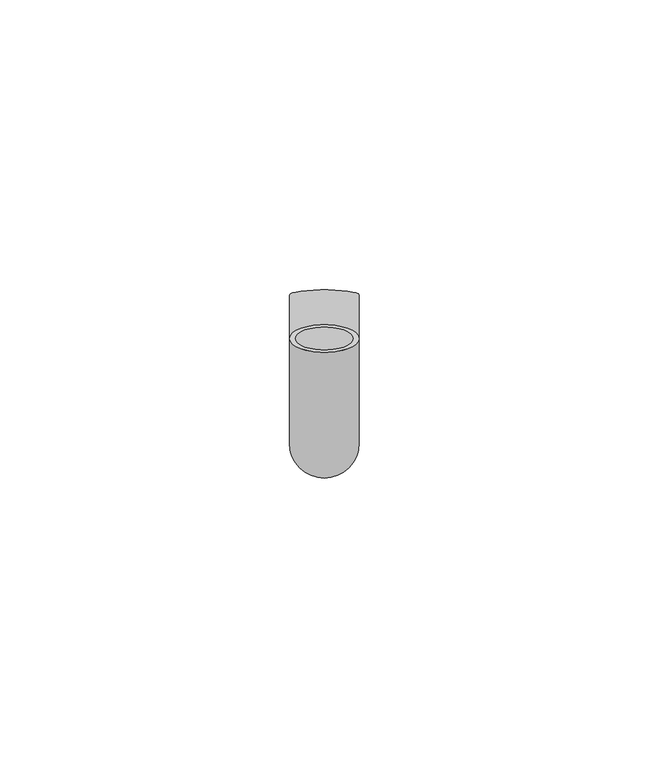
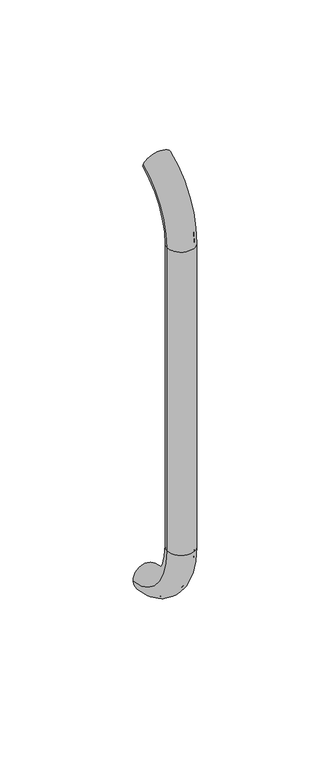
"""IFC4 building model written with IfcOpenShell, lengths in millimetres: beam geometry."""

from ifc_helpers import new_model, si_unit, point, frame, origin, place, context, project, spatial, polyline, circle_curve, ellipse_curve, trimmed, source, transform, mapped, element, save
from ifc_brep_helpers import plane_surface, cylinder_surface, revolved_surface, advanced_brep


def beam_fd29f5bb(model_context):
    return source(origin(), model_context, "Body", "AdvancedBrep", [
        advanced_brep(
        [(3161.4386176, 2444.0395554, 1993.7787656), (3173.4386176, 2444.0395554, 1993.7787656), (3162.4386176, 2444.0395554, 1993.7787656), (3172.4386176, 2444.0395554, 1993.7787656), (3172.4386176, 2425.9629385, 1966.25), (3162.4386176, 2425.9629385, 1966.25), (3173.4386176, 2425.9629385, 1966.25), (3161.4386176, 2425.9629385, 1966.25), (3162.4386176, 2425.9629385, 1826.25), (3172.4386176, 2425.9629385, 1826.25), (3161.4386176, 2425.9629385, 1826.25), (3173.4386176, 2425.9629385, 1826.25), (3161.4386176, 2451.5825147, 1796.5715249), (3173.4386176, 2451.5825147, 1796.5715249), (3162.4386176, 2451.5825147, 1796.5715249), (3172.4386176, 2451.5825147, 1796.5715249)],
        [
            (0, 1, circle_curve(frame((3167.4386176, 2444.0395554, 1993.7787656), z_axis=(0.0, 0.9176255197351176, 0.3974461039321624), x_axis=(1.0, 0.0, 0.0)), 6.0)),
            (1, 0, circle_curve(frame((3167.4386176, 2444.0395554, 1993.7787656), z_axis=(0.0, 0.9176255197351176, 0.3974461039321624), x_axis=(1.0, 0.0, 0.0)), 6.0)),
            (2, 3, circle_curve(frame((3167.4386176, 2444.0395554, 1993.7787656), z_axis=(0.0, -0.9176255197351176, -0.3974461039321624), x_axis=(1.0, 0.0, 0.0)), 5.0)),
            (3, 2, circle_curve(frame((3167.4386176, 2444.0395554, 1993.7787656), z_axis=(0.0, -0.9176255197351176, -0.3974461039321624), x_axis=(1.0, 0.0, 0.0)), 5.0)),
            (4, 3, circle_curve(frame((3172.4386176, 2455.9629385, 1966.25), z_axis=(-1.0, 0.0, 0.0), x_axis=(0.0, -0.3974461039321624, 0.9176255197351176)), 30.0)),
            (2, 5, circle_curve(frame((3162.4386176, 2455.9629385, 1966.25), z_axis=(1.0, 0.0, 0.0), x_axis=(0.0, -0.3974461039321624, 0.9176255197351176)), 30.0)),
            (5, 4, circle_curve(frame((3167.4386176, 2425.9629385, 1966.25), z_axis=(0.0, 0.0, -1.0), x_axis=(1.0, 0.0, 0.0)), 5.0)),
            (4, 5, circle_curve(frame((3167.4386176, 2425.9629385, 1966.25), z_axis=(0.0, 0.0, -1.0), x_axis=(1.0, 0.0, 0.0)), 5.0)),
            (6, 1, circle_curve(frame((3173.4386176, 2455.9629385, 1966.25), z_axis=(-1.0, 0.0, 0.0), x_axis=(0.0, -0.3974461039321624, 0.9176255197351176)), 30.0)),
            (0, 7, circle_curve(frame((3161.4386176, 2455.9629385, 1966.25), z_axis=(1.0, 0.0, 0.0), x_axis=(0.0, -0.3974461039321624, 0.9176255197351176)), 30.0)),
            (7, 6, circle_curve(frame((3167.4386176, 2425.9629385, 1966.25), z_axis=(0.0, 0.0, 1.0), x_axis=(1.0, 0.0, 0.0)), 6.0)),
            (6, 7, circle_curve(frame((3167.4386176, 2425.9629385, 1966.25), z_axis=(0.0, 0.0, 1.0), x_axis=(1.0, 0.0, 0.0)), 6.0)),
            (5, 8),
            (8, 9, circle_curve(frame((3167.4386176, 2425.9629385, 1826.25), z_axis=(0.0, 0.0, -1.0), x_axis=(1.0, 0.0, 0.0)), 5.0)),
            (9, 4),
            (9, 8, circle_curve(frame((3167.4386176, 2425.9629385, 1826.25), z_axis=(0.0, 0.0, -1.0), x_axis=(1.0, 0.0, 0.0)), 5.0)),
            (7, 10),
            (10, 11, circle_curve(frame((3167.4386176, 2425.9629385, 1826.25), z_axis=(0.0, 0.0, 1.0), x_axis=(1.0, 0.0, 0.0)), 6.0)),
            (11, 6),
            (11, 10, circle_curve(frame((3167.4386176, 2425.9629385, 1826.25), z_axis=(0.0, 0.0, 1.0), x_axis=(1.0, 0.0, 0.0)), 6.0)),
            (12, 13, circle_curve(frame((3167.4386176, 2451.5825147, 1796.5715249), z_axis=(0.0, 0.9892825047438852, -0.14601412879466394), x_axis=(1.0, 0.0, 0.0)), 6.0)),
            (13, 12, circle_curve(frame((3167.4386176, 2451.5825147, 1796.5715249), z_axis=(0.0, 0.9892825047438852, -0.14601412879466394), x_axis=(1.0, 0.0, 0.0)), 6.0)),
            (14, 15, circle_curve(frame((3167.4386176, 2451.5825147, 1796.5715249), z_axis=(0.0, -0.9892825047438852, 0.14601412879466394), x_axis=(1.0, 0.0, 0.0)), 5.0)),
            (15, 14, circle_curve(frame((3167.4386176, 2451.5825147, 1796.5715249), z_axis=(0.0, -0.9892825047438852, 0.14601412879466394), x_axis=(1.0, 0.0, 0.0)), 5.0)),
            (15, 9, circle_curve(frame((3172.4386176, 2455.9629385, 1826.25), z_axis=(-1.0, 0.0, 0.0), x_axis=(0.0, -1.0, 0.0)), 30.0)),
            (8, 14, circle_curve(frame((3162.4386176, 2455.9629385, 1826.25), z_axis=(1.0, 0.0, 0.0), x_axis=(0.0, -1.0, 0.0)), 30.0)),
            (13, 11, circle_curve(frame((3173.4386176, 2455.9629385, 1826.25), z_axis=(-1.0, 0.0, 0.0), x_axis=(0.0, -1.0, 0.0)), 30.0)),
            (10, 12, circle_curve(frame((3161.4386176, 2455.9629385, 1826.25), z_axis=(1.0, 0.0, 0.0), x_axis=(0.0, -1.0, 0.0)), 30.0)),
        ],
        [
            plane_surface(frame((3167.4386176, 2444.0395554, 1993.7787656), z_axis=(0.0, 0.9176255197351176, 0.3974461039321624), x_axis=(1.0, 0.0, 0.0))),
            revolved_surface(trimmed(ellipse_curve(frame((3167.4386176, 2444.0395554, 1993.7787656), z_axis=(0.0, -0.9176255197351176, -0.3974461039321624), x_axis=(1.0, 0.0, 0.0)), 5.0, 5.0), [point((3162.4386176, 2444.0395554, 1993.7787656))], [point((3172.4386176, 2444.0395554, 1993.7787656))], True, "CARTESIAN"), (3167.4386176, 2455.9629385, 1966.25), (1.0, 0.0, 0.0)),
            revolved_surface(trimmed(ellipse_curve(frame((3167.4386176, 2444.0395554, 1993.7787656), z_axis=(0.0, -0.9176255197351176, -0.3974461039321624), x_axis=(1.0, 0.0, 0.0)), 5.0, 5.0), [point((3172.4386176, 2444.0395554, 1993.7787656))], [point((3162.4386176, 2444.0395554, 1993.7787656))], True, "CARTESIAN"), (3167.4386176, 2455.9629385, 1966.25), (1.0, 0.0, 0.0)),
            revolved_surface(trimmed(ellipse_curve(frame((3167.4386176, 2444.0395554, 1993.7787656), z_axis=(0.0, 0.9176255197351176, 0.3974461039321624), x_axis=(1.0, 0.0, 0.0)), 6.0, 6.0), [point((3161.4386176, 2444.0395554, 1993.7787656))], [point((3173.4386176, 2444.0395554, 1993.7787656))], True, "CARTESIAN"), (3167.4386176, 2455.9629385, 1966.25), (1.0, 0.0, 0.0)),
            revolved_surface(trimmed(ellipse_curve(frame((3167.4386176, 2444.0395554, 1993.7787656), z_axis=(0.0, 0.9176255197351176, 0.3974461039321624), x_axis=(1.0, 0.0, 0.0)), 6.0, 6.0), [point((3173.4386176, 2444.0395554, 1993.7787656))], [point((3161.4386176, 2444.0395554, 1993.7787656))], True, "CARTESIAN"), (3167.4386176, 2455.9629385, 1966.25), (1.0, 0.0, 0.0)),
            revolved_surface(polyline([(3172.4386176, 2425.9629385, 1826.25), (3172.4386176, 2425.9629385, 1966.25)]), (3167.4386176, 2425.9629385, 1966.25), (0.0, 0.0, -1.0)),
            cylinder_surface(frame((3167.4386176, 2425.9629385, 1966.25), z_axis=(0.0, 0.0, 1.0), x_axis=(1.0, 0.0, 0.0)), 6.0),
            plane_surface(frame((3167.4386176, 2451.5825147, 1796.5715249), z_axis=(0.0, 0.9892825047438852, -0.14601412879466397), x_axis=(1.0, 0.0, 0.0))),
            revolved_surface(trimmed(ellipse_curve(frame((3167.4386176, 2425.9629385, 1826.25), z_axis=(0.0, 0.0, -1.0), x_axis=(1.0, 0.0, 0.0)), 5.0, 5.0), [point((3162.4386176, 2425.9629385, 1826.25))], [point((3172.4386176, 2425.9629385, 1826.25))], True, "CARTESIAN"), (3167.4386176, 2455.9629385, 1826.25), (1.0, 0.0, 0.0)),
            revolved_surface(trimmed(ellipse_curve(frame((3167.4386176, 2425.9629385, 1826.25), z_axis=(0.0, 0.0, -1.0), x_axis=(1.0, 0.0, 0.0)), 5.0, 5.0), [point((3172.4386176, 2425.9629385, 1826.25))], [point((3162.4386176, 2425.9629385, 1826.25))], True, "CARTESIAN"), (3167.4386176, 2455.9629385, 1826.25), (1.0, 0.0, 0.0)),
            revolved_surface(trimmed(ellipse_curve(frame((3167.4386176, 2425.9629385, 1826.25), z_axis=(0.0, 0.0, 1.0), x_axis=(1.0, 0.0, 0.0)), 6.0, 6.0), [point((3161.4386176, 2425.9629385, 1826.25))], [point((3173.4386176, 2425.9629385, 1826.25))], True, "CARTESIAN"), (3167.4386176, 2455.9629385, 1826.25), (1.0, 0.0, 0.0)),
            revolved_surface(trimmed(ellipse_curve(frame((3167.4386176, 2425.9629385, 1826.25), z_axis=(0.0, 0.0, 1.0), x_axis=(1.0, 0.0, 0.0)), 6.0, 6.0), [point((3173.4386176, 2425.9629385, 1826.25))], [point((3161.4386176, 2425.9629385, 1826.25))], True, "CARTESIAN"), (3167.4386176, 2455.9629385, 1826.25), (1.0, 0.0, 0.0)),
        ],
        [
            (0, [[1, 2], [3, 4]]),
            (1, [[5, -3, 6, 7]]),
            (2, [[-6, -4, -5, 8]]),
            (3, [[9, -1, 10, 11]]),
            (4, [[-10, -2, -9, 12]]),
            (5, [[-7, 13, 14, 15]]),
            (5, [[-8, -15, 16, -13]]),
            (6, [[-11, 17, 18, 19]]),
            (6, [[-12, -19, 20, -17]]),
            (7, [[21, 22], [23, 24]]),
            (8, [[25, -14, 26, -24]]),
            (9, [[-26, -16, -25, -23]]),
            (10, [[27, -18, 28, -22]]),
            (11, [[-28, -20, -27, -21]]),
        ],
    ),
    ])


if __name__ == "__main__":
    model = new_model("IFC4")
    model_context = context("Model", 3, world=origin())
    ifc_project = project(units=[si_unit("LENGTHUNIT", "METRE", prefix="MILLI")], contexts=[model_context])
    site = spatial("IfcSite", under=ifc_project)
    building = spatial("IfcBuilding", under=site)
    placement = place(None, origin())
    beam_shape = beam_fd29f5bb(model_context)
    element("IfcBeam", 1, at=placement, inside=building, context=model_context, shape_type="MappedRepresentation", body=[
        mapped(beam_shape, transform((0.0, 0.0, 0.0), x_axis=(1.0, 0.0, 0.0), y_axis=(0.0, 1.0, 0.0), z_axis=(0.0, 0.0, 1.0))),
    ])
    save(model, "model.ifc")
